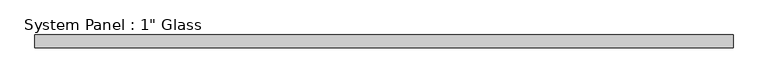
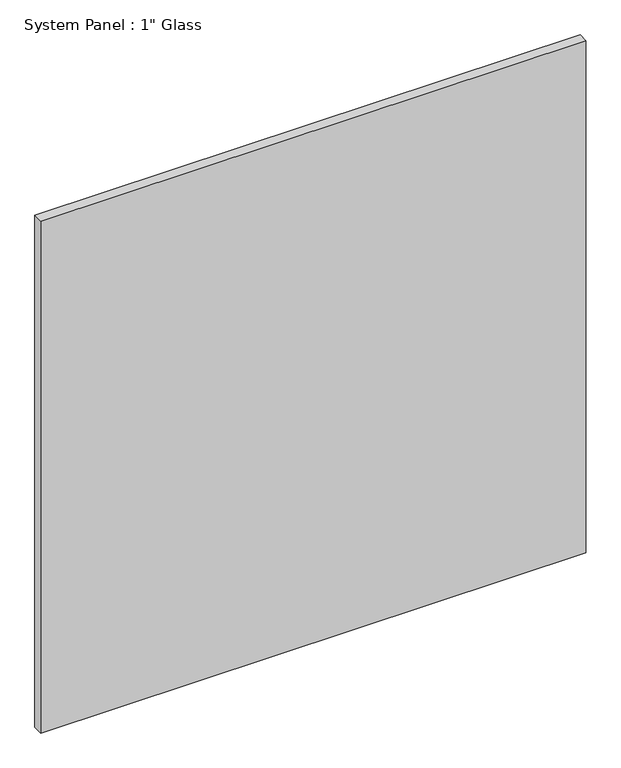
"""IFC4 building model written with IfcOpenShell, lengths in millimetres: plate geometry."""

from ifc_helpers import new_model, si_unit, origin, origin_with_axes, place, context, project, spatial, polyline, outline, extrude, source, transform, mapped, element, save


def plate_28b47669(model_context):
    return source(origin(), model_context, "Body", "SweptSolid", [
        extrude(outline(polyline([(701.6758852, -12.7), (-701.6758852, -12.7), (-701.6758852, 12.7), (701.6758852, 12.7), (701.6758852, -12.7)])), origin_with_axes(), (0.0, 0.0, 1.0), 1393.1917704),
    ])


if __name__ == "__main__":
    model = new_model("IFC4")
    model_context = context("Model", 3, world=origin())
    ifc_project = project(units=[si_unit("LENGTHUNIT", "METRE", prefix="MILLI")], contexts=[model_context])
    site = spatial("IfcSite", under=ifc_project)
    building = spatial("IfcBuilding", under=site)
    placement = place(None, origin())
    plate_shape = plate_28b47669(model_context)
    element("IfcPlate", 1, ObjectType="System Panel : 1\" Glass", at=placement, inside=building, context=model_context, shape_type="MappedRepresentation", body=[
        mapped(plate_shape, transform((0.0, 0.0, 0.0), x_axis=(1.0, 0.0, 0.0), y_axis=(0.0, 1.0, 0.0), z_axis=(0.0, 0.0, 1.0))),
    ])
    save(model, "model.ifc")
